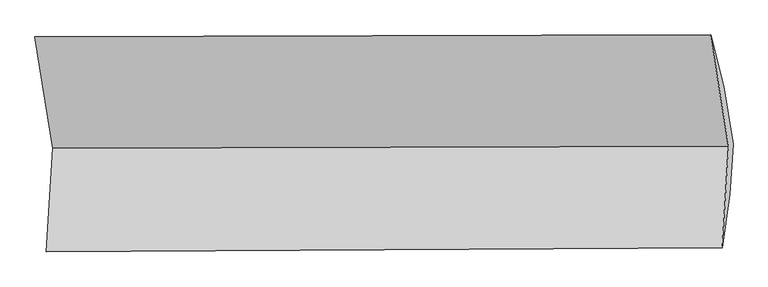
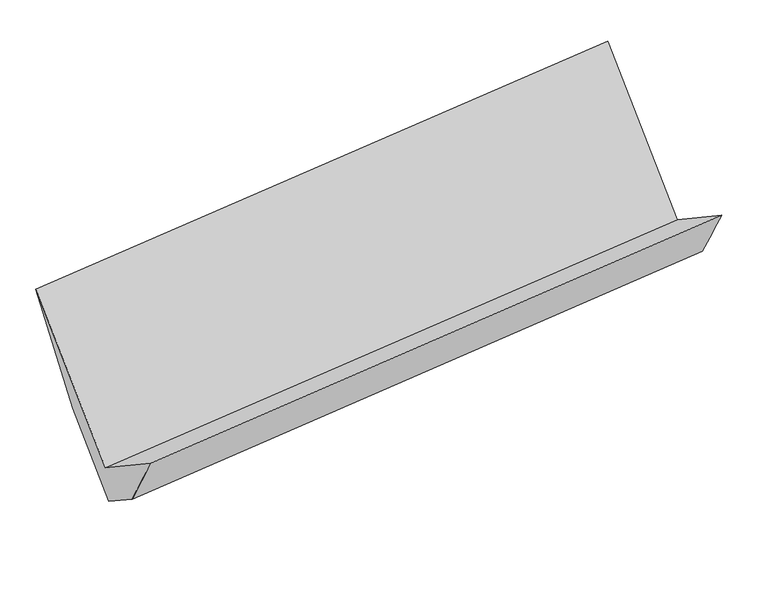
"""IFC4 building model written with IfcOpenShell, lengths in millimetres: proxy geometry."""

from ifc_helpers import new_model, si_unit, frame, origin, place, context, project, spatial, source, transform, mapped, element, save
from ifc_brep_helpers import plane_surface, spline_surface, advanced_brep


def generic_models_d1846ad0(model_context):
    return source(origin(), model_context, "Body", "AdvancedBrep", [
        advanced_brep(
        [(-5074.5363777, -1533.6329805, 1449.1947051), (-5117.0260478, -2221.1850497, 1919.4855722), (-638.4798001, -2192.8367457, 2383.2917113), (-597.0089566, -1521.7709496, 1924.277581), (-5065.8823449, -1878.1452707, 1397.3085195), (-586.826684, -1841.5538301, 1855.4762903), (-5044.2432685, -1527.9897688, 1157.7994816), (-566.2064341, -1507.8846013, 1627.2439891), (-5105.915577, -1142.971149, 1715.1139671), (-627.8787426, -1122.8659815, 2184.5584746), (-5192.877175, -794.8344571, 2518.605632), (-715.3497539, -782.9724262, 2993.6885079)],
        [
            (0, 1),
            (1, 2),
            (2, 3),
            (3, 0),
            (1, 4),
            (4, 5),
            (5, 2),
            (4, 6),
            (6, 7),
            (7, 5),
            (6, 8),
            (8, 9),
            (9, 7),
            (8, 10),
            (10, 11),
            (11, 9),
            (10, 0),
            (3, 11),
        ],
        [
            plane_surface(frame((-5095.7812127, -1877.4090151, 1684.3401386), z_axis=(-0.08846169324030126, 0.5660750416538377, 0.8195935431942258), x_axis=(-0.05094132773785324, -0.8243136555317344, 0.563836836710953))),
            spline_surface(1, 1, [[(-5117.0260478, -2221.1850497, 1919.4855722), (-638.4798001, -2192.8367457, 2383.2917113)], [(-5065.8823449, -1878.1452707, 1397.3085195), (-586.826684, -1841.5538301, 1855.4762903)]], [2, 2], [2, 2], [0.0, 1.0], [0.0, 1.0]),
            plane_surface(frame((-5055.0628067, -1703.0675197, 1277.5540005), z_axis=(0.08846169324030104, -0.5660750416538387, -0.8195935431942248), x_axis=(0.05094132773785336, 0.8243136555317335, -0.5638368367109541))),
            plane_surface(frame((-5075.0794228, -1335.4804589, 1436.4567243), z_axis=(0.05535860600000737, 0.8243472059719288, -0.5633711997857278), x_axis=(-0.09067082360925517, 0.5660555963632173, 0.8193655250081625))),
            spline_surface(1, 1, [[(-5105.915577, -1142.971149, 1715.1139671), (-627.8787426, -1122.8659815, 2184.5584746)], [(-5192.877175, -794.8344571, 2518.605632), (-715.3497539, -782.9724262, 2993.6885079)]], [2, 2], [2, 2], [0.0, 1.0], [0.0, 1.0]),
            plane_surface(frame((-5133.7067763, -1164.2337188, 1983.9001686), z_axis=(-0.0575667865298711, -0.8243578817789805, 0.5631342183152228), x_axis=(0.09067082360924128, -0.566055596363214, -0.8193655250081663))),
            plane_surface(frame((-621.9583952, -1494.9807557, 2161.422759), z_axis=(0.9945771879921269, 0.009383982619271071, 0.10357682171159201), x_axis=(-0.09917691055993978, 0.3853801648429194, 0.9174127037257714))),
            plane_surface(frame((-5100.0801318, -1516.4597793, 1692.9179796), z_axis=(-0.9945771879921242, -0.009383982619229028, -0.10357682171162075), x_axis=(-0.09067082360924128, 0.566055596363214, 0.8193655250081663))),
        ],
        [
            (0, [[1, 2, 3, 4]]),
            (1, [[5, 6, 7, -2]]),
            (2, [[8, 9, 10, -6]]),
            (3, [[11, 12, 13, -9]]),
            (4, [[14, 15, 16, -12]]),
            (5, [[17, -4, 18, -15]]),
            (6, [[-16, -18, -3, -7, -10, -13]]),
            (7, [[-17, -14, -11, -8, -5, -1]]),
        ],
    ),
    ])


if __name__ == "__main__":
    model = new_model("IFC4")
    model_context = context("Model", 3, world=origin())
    ifc_project = project(units=[si_unit("LENGTHUNIT", "METRE", prefix="MILLI")], contexts=[model_context])
    site = spatial("IfcSite", under=ifc_project)
    building = spatial("IfcBuilding", under=site)
    placement = place(None, origin())
    generic_models_shape = generic_models_d1846ad0(model_context)
    element("IfcBuildingElementProxy", 1, Name="Generic Models", at=placement, inside=building, context=model_context, shape_type="MappedRepresentation", body=[
        mapped(generic_models_shape, transform((0.0, 0.0, 0.0), x_axis=(1.0, 0.0, 0.0), y_axis=(0.0, 1.0, 0.0), z_axis=(0.0, 0.0, 1.0))),
    ])
    save(model, "model.ifc")
